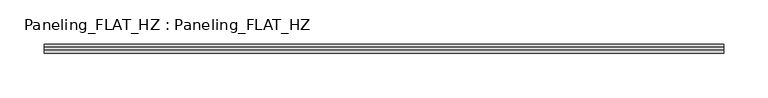
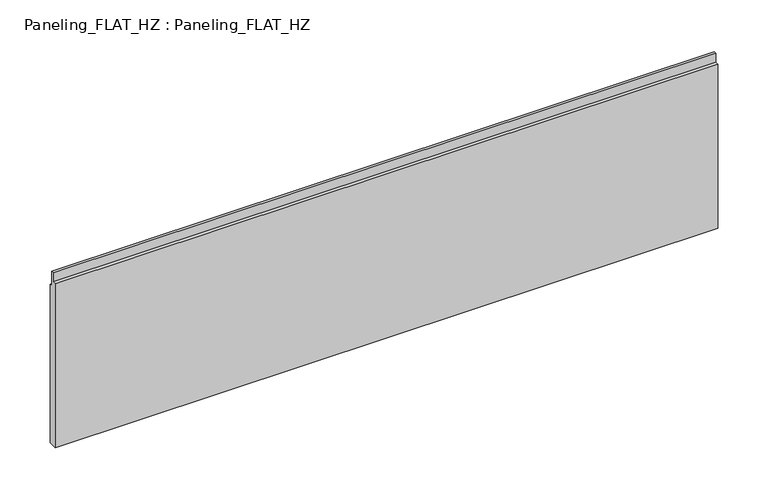
"""IFC4 building model written with IfcOpenShell, lengths in millimetres: plate geometry, Paneling_FLAT_HZ : Paneling_FLAT_HZ."""

from ifc_helpers import new_model, si_unit, frame, origin, place, context, project, spatial, polyline, outline, extrude, source, transform, mapped, element, save


def paneling_flat_hz_paneling_flat_hz_13611a86(model_context):
    return source(origin(), model_context, "Body", "SweptSolid", [
        extrude(outline(polyline([(5.0, 0.0), (-5.0, 0.0), (-5.0, 200.0), (-1.0, 200.0), (-1.0, 211.0), (2.0, 211.0), (2.0, 193.0), (5.0, 193.0), (5.0, 0.0)])), frame((-382.25, 0.0, 0.0), z_axis=(1.0, 0.0, 0.0), x_axis=(0.0, 1.0, 0.0)), (0.0, 0.0, 1.0), 764.5),
    ])


if __name__ == "__main__":
    model = new_model("IFC4")
    model_context = context("Model", 3, world=origin())
    ifc_project = project(units=[si_unit("LENGTHUNIT", "METRE", prefix="MILLI")], contexts=[model_context])
    site = spatial("IfcSite", under=ifc_project)
    building = spatial("IfcBuilding", under=site)
    placement = place(None, origin())
    paneling_flat_hz_paneling_flat_hz_shape = paneling_flat_hz_paneling_flat_hz_13611a86(model_context)
    element("IfcPlate", 1, ObjectType="Paneling_FLAT_HZ : Paneling_FLAT_HZ", at=placement, inside=building, context=model_context, shape_type="MappedRepresentation", body=[
        mapped(paneling_flat_hz_paneling_flat_hz_shape, transform((0.0, 0.0, 0.0), x_axis=(1.0, 0.0, 0.0), y_axis=(0.0, 1.0, 0.0), z_axis=(0.0, 0.0, 1.0))),
    ])
    save(model, "model.ifc")
